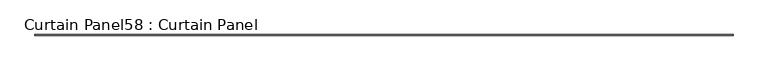
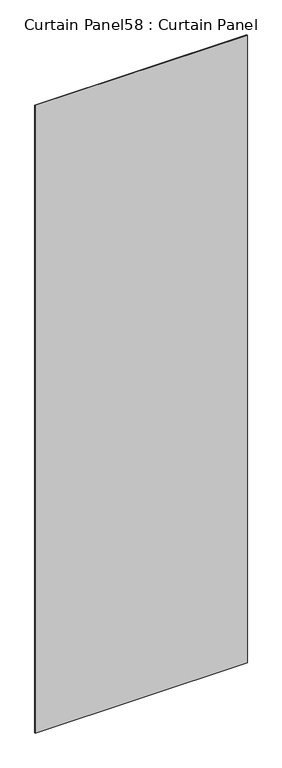
"""IFC4 building model written with IfcOpenShell, lengths in millimetres: plate geometry, Curtain Panel58 : Curtain Panel."""

from ifc_helpers import new_model, si_unit, origin, origin_with_axes, place, context, project, spatial, polyline, outline, extrude, source, transform, mapped, element, save


def curtain_panel58_curtain_panel_7b671f48(model_context):
    return source(origin(), model_context, "Body", "SweptSolid", [
        extrude(outline(polyline([(-3089.2827536, 12914.9031526), (-8119.385598, 12914.9031526), (-8119.385598, 12921.2531526), (-3089.2827536, 12921.2531526), (-3089.2827536, 12914.9031526)])), origin_with_axes(), (0.0, 0.0, 1.0), 15711.5380959),
    ])


if __name__ == "__main__":
    model = new_model("IFC4")
    model_context = context("Model", 3, world=origin())
    ifc_project = project(units=[si_unit("LENGTHUNIT", "METRE", prefix="MILLI")], contexts=[model_context])
    site = spatial("IfcSite", under=ifc_project)
    building = spatial("IfcBuilding", under=site)
    placement = place(None, origin())
    curtain_panel58_curtain_panel_shape = curtain_panel58_curtain_panel_7b671f48(model_context)
    element("IfcPlate", 1, ObjectType="Curtain Panel58 : Curtain Panel", at=placement, inside=building, context=model_context, shape_type="MappedRepresentation", body=[
        mapped(curtain_panel58_curtain_panel_shape, transform((0.0, 0.0, 0.0), x_axis=(1.0, 0.0, 0.0), y_axis=(0.0, 1.0, 0.0), z_axis=(0.0, 0.0, 1.0))),
    ])
    save(model, "model.ifc")
